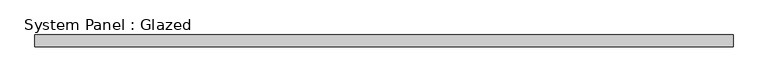
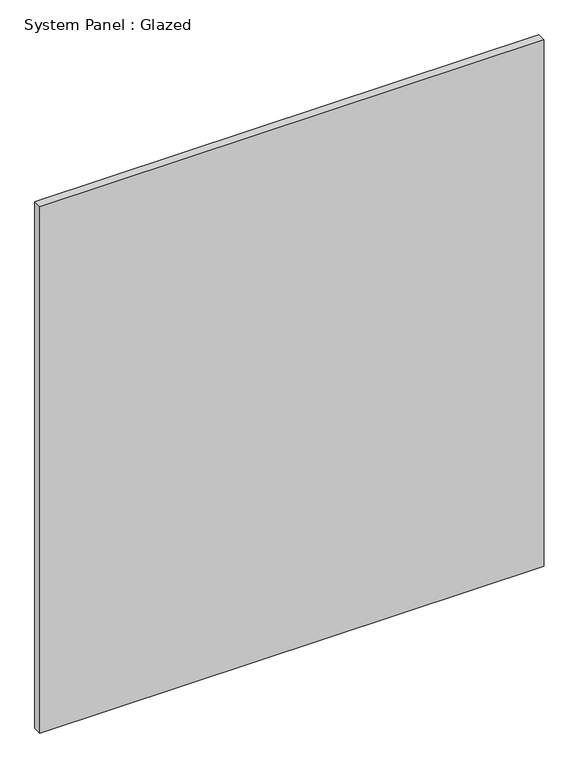
"""IFC4 building model written with IfcOpenShell, lengths in millimetres: plate geometry, System Panel : Glazed."""

from ifc_helpers import new_model, si_unit, origin, origin_with_axes, place, context, project, spatial, polyline, outline, extrude, source, transform, mapped, element, save


def system_panel_glazed_8c2275ab(model_context):
    return source(origin(), model_context, "Body", "SweptSolid", [
        extrude(outline(polyline([(736.6, -12.7), (-736.6, -12.7), (-736.6, 12.7), (736.6, 12.7), (736.6, -12.7)])), origin_with_axes(), (0.0, 0.0, 1.0), 1625.6),
    ])


if __name__ == "__main__":
    model = new_model("IFC4")
    model_context = context("Model", 3, world=origin())
    ifc_project = project(units=[si_unit("LENGTHUNIT", "METRE", prefix="MILLI")], contexts=[model_context])
    site = spatial("IfcSite", under=ifc_project)
    building = spatial("IfcBuilding", under=site)
    placement = place(None, origin())
    system_panel_glazed_shape = system_panel_glazed_8c2275ab(model_context)
    element("IfcPlate", 1, ObjectType="System Panel : Glazed", at=placement, inside=building, context=model_context, shape_type="MappedRepresentation", body=[
        mapped(system_panel_glazed_shape, transform((0.0, 0.0, 0.0), x_axis=(1.0, 0.0, 0.0), y_axis=(0.0, 1.0, 0.0), z_axis=(0.0, 0.0, 1.0))),
    ])
    save(model, "model.ifc")
